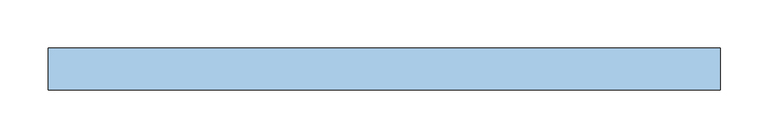
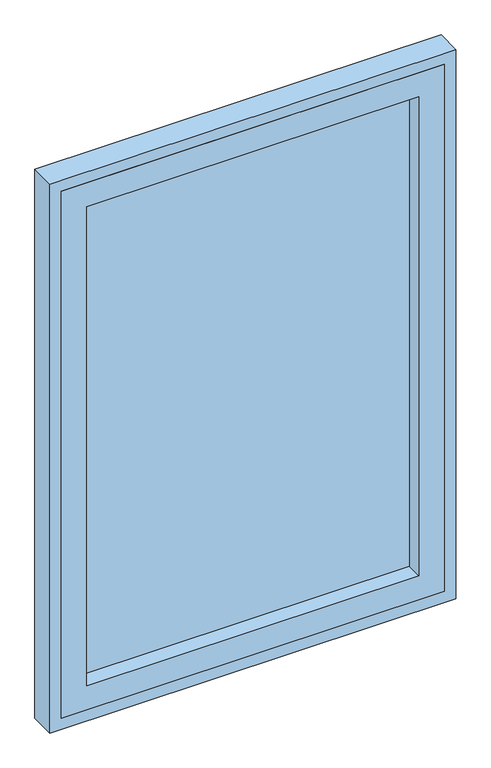
"""IFC4 building model written with IfcOpenShell, lengths in millimetres: window geometry."""

from ifc_helpers import new_model, si_unit, frame, origin, place, context, project, spatial, polyline, outline, extrude, source, transform, mapped, element, save


def window_0bc6e754(model_context):
    return source(origin(), model_context, "Body", "SweptSolid", [
        extrude(outline(polyline([(286.0, 84.0), (-286.0, 84.0), (-286.0, 90.0), (286.0, 90.0), (286.0, 84.0)])), frame((0.0, 0.0, 964.0), z_axis=(0.0, 0.0, 1.0), x_axis=(1.0, 0.0, 0.0)), (0.0, 0.0, 1.0), 872.0),
        extrude(outline(polyline([(1880.0, -330.0), (920.0, -330.0), (920.0, 330.0), (1880.0, 330.0), (1880.0, -330.0)]), holes=[polyline([(1836.0, 286.0), (964.0, 286.0), (964.0, -286.0), (1836.0, -286.0), (1836.0, 286.0)])]), frame((0.0, 56.0, 0.0), z_axis=(0.0, 1.0, 0.0), x_axis=(0.0, 0.0, 1.0)), (0.0, 0.0, 1.0), 44.0),
        extrude(outline(polyline([(1900.0, 350.0), (1900.0, -350.0), (900.0, -350.0), (900.0, 350.0), (1900.0, 350.0)]), holes=[polyline([(920.0, -330.0), (1880.0, -330.0), (1880.0, 330.0), (920.0, 330.0), (920.0, -330.0)])]), frame((0.0, 56.0, 0.0), z_axis=(0.0, 1.0, 0.0), x_axis=(0.0, 0.0, 1.0)), (0.0, 0.0, 1.0), 44.0),
    ])


if __name__ == "__main__":
    model = new_model("IFC4")
    model_context = context("Model", 3, world=origin())
    ifc_project = project(units=[si_unit("LENGTHUNIT", "METRE", prefix="MILLI")], contexts=[model_context])
    site = spatial("IfcSite", under=ifc_project)
    building = spatial("IfcBuilding", under=site)
    placement = place(None, origin())
    window_shape = window_0bc6e754(model_context)
    element("IfcWindow", 1, at=placement, inside=building, context=model_context, shape_type="MappedRepresentation", body=[
        mapped(window_shape, transform((0.0, 0.0, 0.0), x_axis=(1.0, 0.0, 0.0), y_axis=(0.0, 1.0, 0.0), z_axis=(0.0, 0.0, 1.0))),
    ])
    save(model, "model.ifc")
